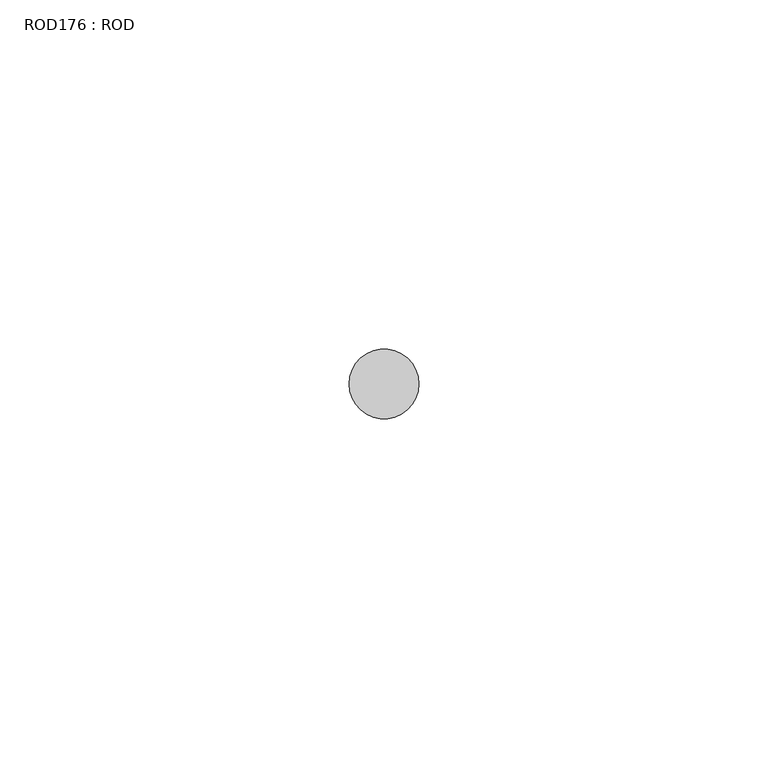
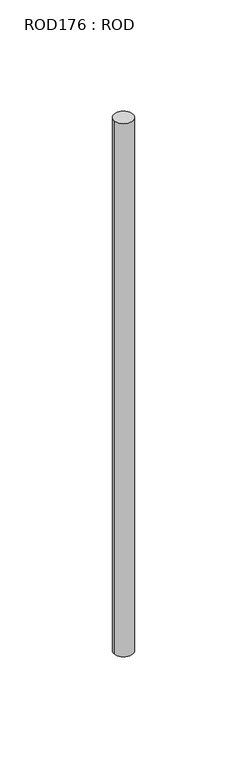
"""IFC4 building model written with IfcOpenShell, lengths in millimetres: proxy geometry, ROD176 : ROD."""

from ifc_helpers import new_model, si_unit, point, frame, frame_2d, origin, place, context, project, spatial, circle_curve, trimmed, segment, composite_curve, outline, extrude, source, transform, mapped, element, save


def rod176_rod_16412d38(model_context):
    return source(origin(), model_context, "Body", "SweptSolid", [
        extrude(outline(composite_curve([segment(trimmed(circle_curve(frame_2d((7499.7673324, -21568.1048728)), 5.0), [point((7494.7673324, -21568.1048728))], [point((7504.7673324, -21568.1048728))], False, "CARTESIAN"), True, "CONTINUOUS"), segment(trimmed(circle_curve(frame_2d((7499.7673324, -21568.1048728)), 5.0), [point((7504.7673324, -21568.1048728))], [point((7494.7673324, -21568.1048728))], False, "CARTESIAN"), True, "CONTINUOUS")], self_intersect=False)), frame((0.0, 0.0, 166.3391155), z_axis=(0.0, 0.0, 1.0), x_axis=(1.0, 0.0, 0.0)), (0.0, 0.0, 1.0), 298.9028972),
    ])


if __name__ == "__main__":
    model = new_model("IFC4")
    model_context = context("Model", 3, world=origin())
    ifc_project = project(units=[si_unit("LENGTHUNIT", "METRE", prefix="MILLI")], contexts=[model_context])
    site = spatial("IfcSite", under=ifc_project)
    building = spatial("IfcBuilding", under=site)
    placement = place(None, origin())
    rod176_rod_shape = rod176_rod_16412d38(model_context)
    element("IfcBuildingElementProxy", 1, Name="ROD176 : ROD", ObjectType="ROD176 : ROD", at=placement, inside=building, context=model_context, shape_type="MappedRepresentation", body=[
        mapped(rod176_rod_shape, transform((0.0, 0.0, 0.0), x_axis=(1.0, 0.0, 0.0), y_axis=(0.0, 1.0, 0.0), z_axis=(0.0, 0.0, 1.0))),
    ])
    save(model, "model.ifc")
